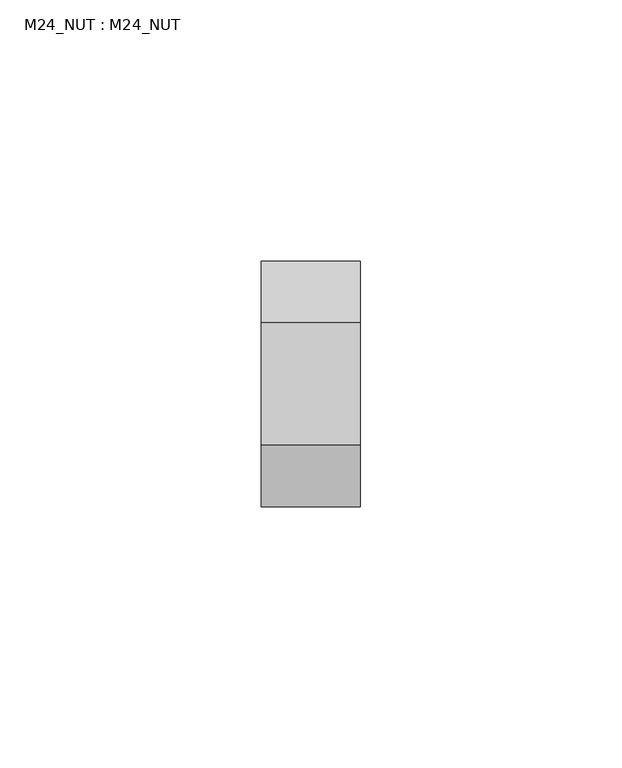
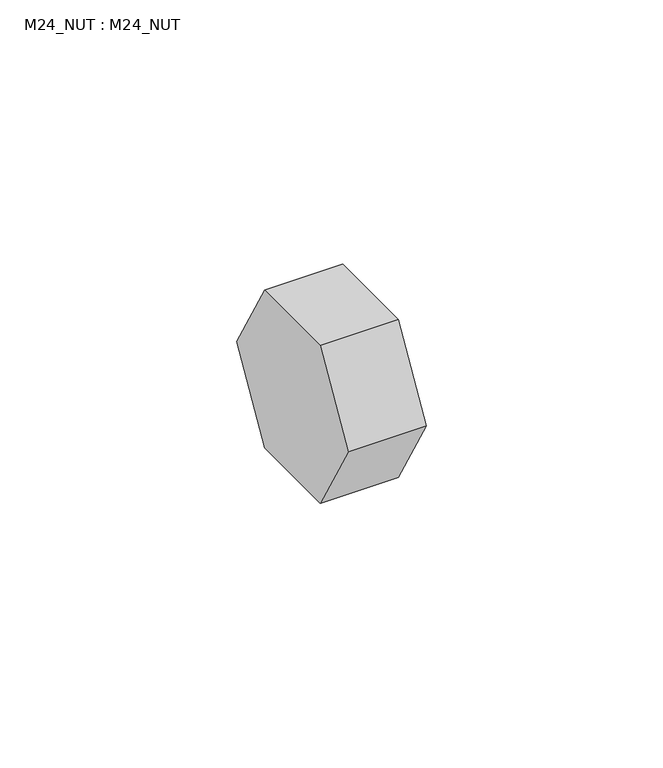
"""IFC4 building model written with IfcOpenShell, lengths in millimetres: beam geometry, M24_NUT : M24_NUT."""

from ifc_helpers import new_model, si_unit, frame, origin, place, context, project, spatial, polyline, outline, extrude, source, transform, mapped, element, save


def m24_nut_m24_nut_6c6fa34b(model_context):
    return source(origin(), model_context, "Body", "SweptSolid", [
        extrude(outline(polyline([(11.75, -20.351597), (-11.75, -20.351597), (-23.5, 0.0), (-11.75, 20.351597), (11.75, 20.351597), (23.5, 0.0), (11.75, -20.351597)])), frame((0.0, 0.0, 0.0), z_axis=(1.0, 0.0, 0.0), x_axis=(0.0, 1.0, 0.0)), (0.0, 0.0, 1.0), 19.0),
    ])


if __name__ == "__main__":
    model = new_model("IFC4")
    model_context = context("Model", 3, world=origin())
    ifc_project = project(units=[si_unit("LENGTHUNIT", "METRE", prefix="MILLI")], contexts=[model_context])
    site = spatial("IfcSite", under=ifc_project)
    building = spatial("IfcBuilding", under=site)
    placement = place(None, origin())
    m24_nut_m24_nut_shape = m24_nut_m24_nut_6c6fa34b(model_context)
    element("IfcBeam", 1, ObjectType="M24_NUT : M24_NUT", at=placement, inside=building, context=model_context, shape_type="MappedRepresentation", body=[
        mapped(m24_nut_m24_nut_shape, transform((0.0, 0.0, 0.0), x_axis=(1.0, 0.0, 0.0), y_axis=(0.0, 1.0, 0.0), z_axis=(0.0, 0.0, 1.0))),
    ])
    save(model, "model.ifc")
